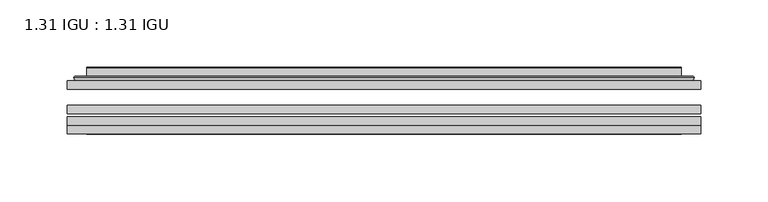
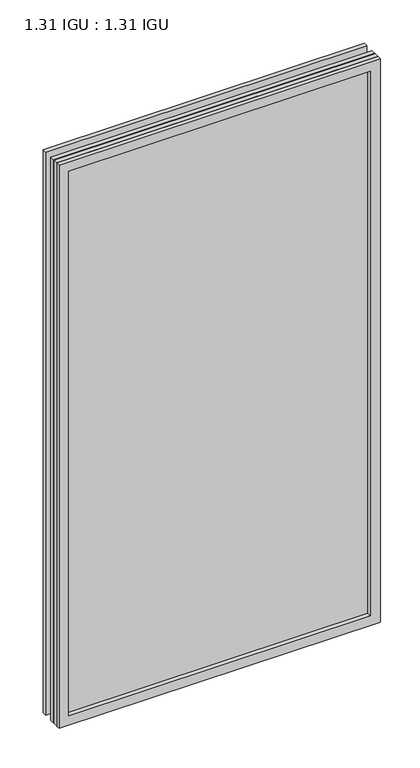
"""IFC4 building model written with IfcOpenShell, lengths in millimetres: plate geometry, 1.31 IGU : 1.31 IGU."""

from ifc_helpers import new_model, si_unit, frame, origin, place, context, project, spatial, polyline, ellipse_curve, outline, extrude, faceted_brep, source, transform, mapped, element, save
from ifc_brep_helpers import plane_surface, cylinder_surface, advanced_brep


def plate_1_31_igu_1_31_igu_3bbb49df(model_context):
    return source(origin(), model_context, "Body", "SolidModel", [
        extrude(outline(polyline([(234.964175, -63.59525), (234.964175, -69.94525), (-234.95, -69.94525), (-234.95, -63.59525), (234.964175, -63.59525)])), frame((0.0, 0.0, -14.2875), z_axis=(0.0, 0.0, 1.0), x_axis=(1.0, 0.0, 0.0)), (0.0, 0.0, 1.0), 869.9537979),
        extrude(outline(polyline([(-234.95, -78.58125), (-234.95, -72.230745), (234.964175, -72.230745), (234.964175, -78.58125), (-234.95, -78.58125)])), frame((0.0, 0.0, -14.2875), z_axis=(0.0, 0.0, 1.0), x_axis=(1.0, 0.0, 0.0)), (0.0, 0.0, 1.0), 869.9537979),
        extrude(outline(polyline([(234.964175, -45.25645), (234.964175, -51.60645), (-234.95, -51.60645), (-234.95, -45.25645), (234.964175, -45.25645)])), frame((0.0, 0.0, -14.2875), z_axis=(0.0, 0.0, 1.0), x_axis=(1.0, 0.0, 0.0)), (0.0, 0.0, 1.0), 869.9537979),
        faceted_brep([(-234.9627, -84.93125, 855.6752), (-234.9627, -78.58125, 855.6752), (-234.9627, -78.58125, -14.3002), (-234.9627, -84.93125, -14.3002), (234.9627, -78.58125, -14.3002), (234.9627, -84.93125, -14.3002), (234.9627, -78.58125, 855.6752), (234.9627, -84.93125, 855.6752), (-219.7647559, -78.58125, 0.8977441), (219.7647559, -78.58125, 0.8977441), (219.7647559, -78.58125, 840.4772559), (-219.7647559, -78.58125, 840.4772559), (-220.6571902, -84.93125, 841.3696902), (220.6571902, -84.93125, 841.3696902), (220.6571902, -84.93125, 0.0053098), (-220.6571902, -84.93125, 0.0053098)], [[[0, 1, 2, 3]], [[3, 2, 4, 5]], [[5, 4, 6, 7]], [[1, 6, 4, 2], [8, 9, 10, 11]], [[7, 6, 1, 0]], [[3, 5, 7, 0], [12, 13, 14, 15]], [[11, 12, 15, 8]], [[8, 15, 14, 9]], [[9, 14, 13, 10]], [[10, 13, 12, 11]]]),
        advanced_brep(
        [(-227.708719, -45.25645, 848.4212191), (-230.0629244, -43.2667833, 850.7754244), (-230.0629244, -43.2667833, -9.4004244), (-227.708719, -45.25645, -7.046219), (-218.6343939, -41.416413, 839.3468939), (-213.6995621, -45.25645, 834.4120621), (-213.6995621, -45.25645, 6.9629379), (-218.6343939, -41.416413, 2.0281061), (-219.6664217, -36.0191819, 840.3789217), (-219.6664217, -36.0191819, 0.9960783), (-220.6570784, -35.6202069, 841.3695784), (-220.6570784, -35.6202069, 0.0054216), (-220.6570784, -42.08145, 841.3695784), (-220.6570784, -42.08145, 0.0054216), (-229.0611349, -42.08145, 849.7736349), (-229.0611349, -42.08145, -8.3986349), (230.0629244, -43.2667833, -9.4004244), (227.708719, -45.25645, -7.046219), (213.6995621, -45.25645, 6.9629379), (218.6343939, -41.416413, 2.0281061), (219.6664217, -36.0191819, 0.9960783), (220.6570784, -35.6202069, 0.0054216), (220.6570784, -42.08145, 0.0054216), (229.0611349, -42.08145, -8.3986349), (230.0629244, -43.2667833, 850.7754244), (227.708719, -45.25645, 848.4212191), (213.6995621, -45.25645, 834.4120621), (218.6343939, -41.416413, 839.3468939), (219.6664217, -36.0191819, 840.3789217), (220.6570784, -35.6202069, 841.3695784), (220.6570784, -42.08145, 841.3695784), (229.0611349, -42.08145, 849.7736349)],
        [
            (0, 1, ellipse_curve(frame((-227.708719, -42.86885, 848.4212191), z_axis=(-0.7071067811865475, 0.0, -0.7071067811865475), x_axis=(-0.7071067811865474, 0.0, 0.7071067811865476)), 3.3765763, 2.3876)),
            (1, 2),
            (2, 3, ellipse_curve(frame((-227.708719, -42.86885, -7.046219), z_axis=(-0.7071067811865475, 0.0, 0.7071067811865475), x_axis=(0.7071067811865474, 0.0, 0.7071067811865476)), 3.3765763, 2.3876)),
            (3, 0),
            (4, 5),
            (5, 6),
            (6, 7),
            (7, 4),
            (8, 4),
            (7, 9),
            (9, 8),
            (10, 8, ellipse_curve(frame((-220.2901219, -36.1384423, 841.0026219), z_axis=(-0.7071067811865475, 0.0, -0.7071067811865475), x_axis=(-0.7071067811865474, 0.0, 0.7071067811865476)), 0.8980256, 0.635)),
            (9, 11, ellipse_curve(frame((-220.2901219, -36.1384423, 0.3723781), z_axis=(-0.7071067811865475, 0.0, 0.7071067811865475), x_axis=(0.7071067811865474, 0.0, 0.7071067811865476)), 0.8980256, 0.635)),
            (11, 10),
            (12, 10),
            (11, 13),
            (13, 12),
            (1, 14, ellipse_curve(frame((-229.0611349, -43.09745, 849.7736349), z_axis=(-0.7071067811865475, 0.0, -0.7071067811865475), x_axis=(-0.7071067811865474, 0.0, 0.7071067811865476)), 1.436841, 1.016)),
            (14, 15),
            (15, 2, ellipse_curve(frame((-229.0611349, -43.09745, -8.3986349), z_axis=(-0.7071067811865475, 0.0, 0.7071067811865475), x_axis=(0.7071067811865474, 0.0, 0.7071067811865476)), 1.436841, 1.016)),
            (2, 16),
            (16, 17, ellipse_curve(frame((227.708719, -42.86885, -7.046219), z_axis=(-0.7071067811865475, 0.0, -0.7071067811865475), x_axis=(-0.7071067811865476, 0.0, 0.7071067811865474)), 3.3765763, 2.3876)),
            (17, 3),
            (6, 18),
            (18, 19),
            (19, 7),
            (19, 20),
            (20, 9),
            (20, 21, ellipse_curve(frame((220.2901219, -36.1384423, 0.3723781), z_axis=(-0.7071067811865475, 0.0, -0.7071067811865475), x_axis=(-0.7071067811865476, 0.0, 0.7071067811865474)), 0.8980256, 0.635)),
            (21, 11),
            (21, 22),
            (22, 13),
            (15, 23),
            (23, 16, ellipse_curve(frame((229.0611349, -43.09745, -8.3986349), z_axis=(-0.7071067811865475, 0.0, -0.7071067811865475), x_axis=(-0.7071067811865476, 0.0, 0.7071067811865474)), 1.436841, 1.016)),
            (16, 24),
            (24, 25, ellipse_curve(frame((227.708719, -42.86885, 848.4212191), z_axis=(0.7071067811865475, 0.0, -0.7071067811865475), x_axis=(-0.7071067811865474, 0.0, -0.7071067811865476)), 3.3765763, 2.3876)),
            (25, 17),
            (18, 26),
            (26, 27),
            (27, 19),
            (27, 28),
            (28, 20),
            (28, 29, ellipse_curve(frame((220.2901219, -36.1384423, 841.0026219), z_axis=(0.7071067811865475, 0.0, -0.7071067811865475), x_axis=(-0.7071067811865474, 0.0, -0.7071067811865476)), 0.8980256, 0.635)),
            (29, 21),
            (29, 30),
            (30, 22),
            (23, 31),
            (31, 24, ellipse_curve(frame((229.0611349, -43.09745, 849.7736349), z_axis=(0.7071067811865475, 0.0, -0.7071067811865475), x_axis=(-0.7071067811865474, 0.0, -0.7071067811865476)), 1.436841, 1.016)),
            (24, 1),
            (0, 25),
            (5, 26),
            (4, 27),
            (8, 28),
            (10, 29),
            (12, 30),
            (14, 31),
        ],
        [
            cylinder_surface(frame((-227.708719, -42.86885, 873.125), z_axis=(0.0, 0.0, 1.0), x_axis=(-1.0, 0.0, 0.0)), 2.3876),
            plane_surface(frame((-213.6995621, -45.25645, 834.4120621), z_axis=(0.6141233906514794, 0.7892100234124821, 0.0), x_axis=(0.0, 0.0, -1.0))),
            plane_surface(frame((-218.6343939, -41.416413, 839.3468939), z_axis=(0.9822050625507729, 0.18781164793386076, 0.0), x_axis=(0.0, 0.0, -1.0))),
            cylinder_surface(frame((-220.2901219, -36.1384423, 873.125), z_axis=(0.0, 0.0, 1.0), x_axis=(-1.0, 0.0, 0.0)), 0.635),
            plane_surface(frame((-220.6570784, -35.6202069, 841.3695784), z_axis=(-1.0, 0.0, 0.0), x_axis=(0.0, 0.0, -1.0))),
            cylinder_surface(frame((-229.0611349, -43.09745, 873.125), z_axis=(0.0, 0.0, 1.0), x_axis=(-1.0, 0.0, 0.0)), 1.016),
            cylinder_surface(frame((-252.4125, -42.86885, -7.046219), z_axis=(-1.0, 0.0, 0.0), x_axis=(0.0, 0.0, -1.0)), 2.3876),
            plane_surface(frame((-213.6995621, -45.25645, 6.9629379), z_axis=(0.0, 0.7892100234124841, 0.6141233906514768), x_axis=(1.0, 0.0, 0.0))),
            plane_surface(frame((-218.6343939, -41.416413, 2.0281061), z_axis=(0.0, 0.18781164793386393, 0.9822050625507723), x_axis=(1.0, 0.0, 0.0))),
            cylinder_surface(frame((-252.4125, -36.1384423, 0.3723781), z_axis=(-1.0, 0.0, 0.0), x_axis=(0.0, 0.0, -1.0)), 0.635),
            plane_surface(frame((-220.6570784, -35.6202069, 0.0054216), z_axis=(0.0, 0.0, -1.0), x_axis=(1.0, 0.0, 0.0))),
            cylinder_surface(frame((-252.4125, -43.09745, -8.3986349), z_axis=(-1.0, 0.0, 0.0), x_axis=(0.0, 0.0, -1.0)), 1.016),
            cylinder_surface(frame((227.708719, -42.86885, -31.75), z_axis=(0.0, 0.0, -1.0), x_axis=(1.0, 0.0, 0.0)), 2.3876),
            plane_surface(frame((213.6995621, -45.25645, 6.9629379), z_axis=(-0.6141233906514743, 0.7892100234124861, 0.0), x_axis=(0.0, 0.0, 1.0))),
            plane_surface(frame((218.6343939, -41.416413, 2.0281061), z_axis=(-0.9822050625507718, 0.1878116479338671, 0.0), x_axis=(0.0, 0.0, 1.0))),
            cylinder_surface(frame((220.2901219, -36.1384423, -31.75), z_axis=(0.0, 0.0, -1.0), x_axis=(1.0, 0.0, 0.0)), 0.635),
            plane_surface(frame((220.6570784, -35.6202069, 0.0054216), z_axis=(1.0, 0.0, 0.0), x_axis=(0.0, 0.0, 1.0))),
            cylinder_surface(frame((229.0611349, -43.09745, -31.75), z_axis=(0.0, 0.0, -1.0), x_axis=(1.0, 0.0, 0.0)), 1.016),
            cylinder_surface(frame((252.4125, -42.86885, 848.4212191), z_axis=(1.0, 0.0, 0.0), x_axis=(0.0, 0.0, 1.0)), 2.3876),
            plane_surface(frame((227.708719, -45.25645, 848.4212191), z_axis=(0.0, -1.0, 0.0), x_axis=(-1.0, 0.0, 0.0))),
            plane_surface(frame((213.6995621, -45.25645, 834.4120621), z_axis=(0.0, 0.7892100234124841, -0.6141233906514768), x_axis=(-1.0, 0.0, 0.0))),
            plane_surface(frame((218.6343939, -41.416413, 839.3468939), z_axis=(0.0, 0.18781164793386393, -0.9822050625507723), x_axis=(-1.0, 0.0, 0.0))),
            cylinder_surface(frame((252.4125, -36.1384423, 841.0026219), z_axis=(1.0, 0.0, 0.0), x_axis=(0.0, 0.0, 1.0)), 0.635),
            plane_surface(frame((220.6570784, -35.6202069, 841.3695784), z_axis=(0.0, 0.0, 1.0), x_axis=(-1.0, 0.0, 0.0))),
            plane_surface(frame((220.6570784, -42.08145, 841.3695784), z_axis=(0.0, 1.0, 0.0), x_axis=(-1.0, 0.0, 0.0))),
            cylinder_surface(frame((252.4125, -43.09745, 849.7736349), z_axis=(1.0, 0.0, 0.0), x_axis=(0.0, 0.0, 1.0)), 1.016),
        ],
        [
            (0, [[1, 2, 3, 4]]),
            (1, [[5, 6, 7, 8]]),
            (2, [[9, -8, 10, 11]]),
            (3, [[12, -11, 13, 14]]),
            (4, [[15, -14, 16, 17]]),
            (5, [[18, 19, 20, -2]]),
            (6, [[-3, 21, 22, 23]]),
            (7, [[-7, 24, 25, 26]]),
            (8, [[-10, -26, 27, 28]]),
            (9, [[-13, -28, 29, 30]]),
            (10, [[-16, -30, 31, 32]]),
            (11, [[-20, 33, 34, -21]]),
            (12, [[-22, 35, 36, 37]]),
            (13, [[-25, 38, 39, 40]]),
            (14, [[-27, -40, 41, 42]]),
            (15, [[-29, -42, 43, 44]]),
            (16, [[-31, -44, 45, 46]]),
            (17, [[-34, 47, 48, -35]]),
            (18, [[-36, 49, -1, 50]]),
            (19, [[-23, -37, -50, -4], [51, -38, -24, -6]]),
            (20, [[-39, -51, -5, 52]]),
            (21, [[-41, -52, -9, 53]]),
            (22, [[-43, -53, -12, 54]]),
            (23, [[-45, -54, -15, 55]]),
            (24, [[56, -47, -33, -19], [-32, -46, -55, -17]]),
            (25, [[-48, -56, -18, -49]]),
        ],
    ),
    ])


if __name__ == "__main__":
    model = new_model("IFC4")
    model_context = context("Model", 3, world=origin())
    ifc_project = project(units=[si_unit("LENGTHUNIT", "METRE", prefix="MILLI")], contexts=[model_context])
    site = spatial("IfcSite", under=ifc_project)
    building = spatial("IfcBuilding", under=site)
    placement = place(None, origin())
    plate_1_31_igu_1_31_igu_shape = plate_1_31_igu_1_31_igu_3bbb49df(model_context)
    element("IfcPlate", 1, ObjectType="1.31 IGU : 1.31 IGU", at=placement, inside=building, context=model_context, shape_type="MappedRepresentation", body=[
        mapped(plate_1_31_igu_1_31_igu_shape, transform((0.0, 0.0, 0.0), x_axis=(1.0, 0.0, 0.0), y_axis=(0.0, 1.0, 0.0), z_axis=(0.0, 0.0, 1.0))),
    ])
    save(model, "model.ifc")
